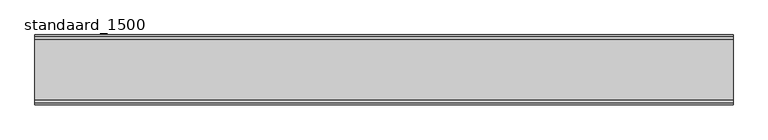
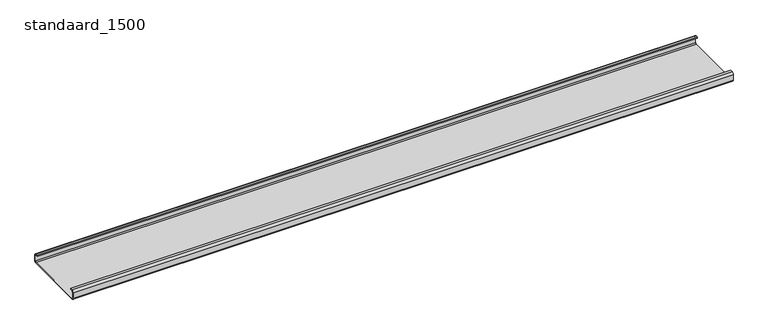
"""IFC4 building model written with IfcOpenShell, lengths in millimetres: proxy geometry, standaard_1500."""

from ifc_helpers import new_model, si_unit, point, frame, frame_2d, origin, place, context, project, spatial, polyline, circle_curve, trimmed, segment, composite_curve, outline, extrude, source, transform, mapped, element, save


def standaard_1500_42635ff1(model_context):
    return source(origin(), model_context, "Body", "SweptSolid", [
        extrude(outline(composite_curve([segment(polyline([(0.0, 17.770997), (0.0, 4.3067022)]), True, "CONTINUOUS"), segment(trimmed(circle_curve(frame_2d((-4.3067022, 4.3067022)), 4.3067022), [point((0.0, 4.3067022))], [point((-4.3067022, 0.0))], False, "CARTESIAN"), True, "CONTINUOUS"), segment(polyline([(-4.3067022, 0.0), (-145.6932978, 0.0)]), True, "CONTINUOUS"), segment(trimmed(circle_curve(frame_2d((-145.6932978, 4.3067022)), 4.3067022), [point((-145.6932978, 0.0))], [point((-150.0, 4.3067022))], False, "CARTESIAN"), True, "CONTINUOUS"), segment(polyline([(-150.0, 4.3067022), (-150.0, 17.770997)]), True, "CONTINUOUS"), segment(trimmed(circle_curve(frame_2d((-145.770997, 17.770997)), 4.229003), [point((-150.0, 17.770997))], [point((-145.770997, 22.0))], False, "CARTESIAN"), True, "CONTINUOUS"), segment(polyline([(-145.770997, 22.0), (-140.1578, 22.0), (-140.1578, 20.0), (-146.027623, 20.0)]), True, "CONTINUOUS"), segment(trimmed(circle_curve(frame_2d((-146.027623, 18.027623)), 1.972377), [point((-146.027623, 20.0))], [point((-148.0, 18.027623))], True, "CARTESIAN"), True, "CONTINUOUS"), segment(polyline([(-148.0, 18.027623), (-148.0, 4.5732027)]), True, "CONTINUOUS"), segment(trimmed(circle_curve(frame_2d((-145.4267973, 4.5732027)), 2.5732027), [point((-148.0, 4.5732027))], [point((-145.4267973, 2.0))], True, "CARTESIAN"), True, "CONTINUOUS"), segment(polyline([(-145.4267973, 2.0), (-4.5732027, 2.0)]), True, "CONTINUOUS"), segment(trimmed(circle_curve(frame_2d((-4.5732027, 4.5732027)), 2.5732027), [point((-4.5732027, 2.0))], [point((-2.0, 4.5732027))], True, "CARTESIAN"), True, "CONTINUOUS"), segment(polyline([(-2.0, 4.5732027), (-2.0, 18.027623)]), True, "CONTINUOUS"), segment(trimmed(circle_curve(frame_2d((-3.972377, 18.027623)), 1.972377), [point((-2.0, 18.027623))], [point((-3.972377, 20.0))], True, "CARTESIAN"), True, "CONTINUOUS"), segment(polyline([(-3.972377, 20.0), (-9.8422, 20.0), (-9.8422, 22.0), (-4.229003, 22.0)]), True, "CONTINUOUS"), segment(trimmed(circle_curve(frame_2d((-4.229003, 17.770997)), 4.229003), [point((-4.229003, 22.0))], [point((0.0, 17.770997))], False, "CARTESIAN"), True, "CONTINUOUS")], self_intersect=False)), frame((0.0, 0.0, 0.0), z_axis=(1.0, 0.0, 0.0), x_axis=(0.0, 1.0, 0.0)), (0.0, 0.0, 1.0), 1500.0),
    ])


if __name__ == "__main__":
    model = new_model("IFC4")
    model_context = context("Model", 3, world=origin())
    ifc_project = project(units=[si_unit("LENGTHUNIT", "METRE", prefix="MILLI")], contexts=[model_context])
    site = spatial("IfcSite", under=ifc_project)
    building = spatial("IfcBuilding", under=site)
    placement = place(None, origin())
    standaard_1500_shape = standaard_1500_42635ff1(model_context)
    element("IfcBuildingElementProxy", 1, Name="standaard_1500", ObjectType="standaard_1500", at=placement, inside=building, context=model_context, shape_type="MappedRepresentation", body=[
        mapped(standaard_1500_shape, transform((0.0, 0.0, 0.0), x_axis=(1.0, 0.0, 0.0), y_axis=(0.0, 1.0, 0.0), z_axis=(0.0, 0.0, 1.0))),
    ])
    save(model, "model.ifc")
